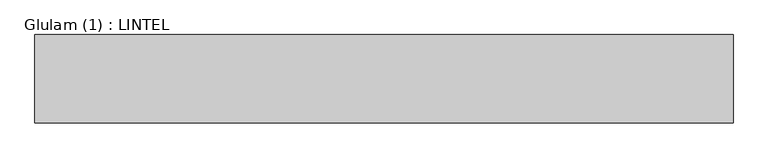
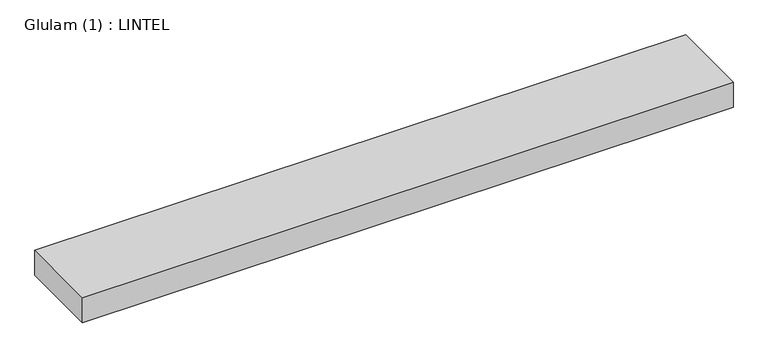
"""IFC4 building model written with IfcOpenShell, lengths in millimetres: beam geometry, Glulam (1) : LINTEL."""

from ifc_helpers import new_model, si_unit, frame, origin, place, context, project, spatial, polyline, outline, extrude, source, transform, mapped, element, save


def glulam_1_lintel_52fcbaa8(model_context):
    return source(origin(), model_context, "Body", "SweptSolid", [
        extrude(outline(polyline([(561.5, 70.0), (561.5, -70.0), (-544.5, -70.0), (-544.5, 70.0), (561.5, 70.0)])), frame((0.0, 0.0, -22.5), z_axis=(0.0, 0.0, 1.0), x_axis=(1.0, 0.0, 0.0)), (0.0, 0.0, 1.0), 45.0),
    ])


if __name__ == "__main__":
    model = new_model("IFC4")
    model_context = context("Model", 3, world=origin())
    ifc_project = project(units=[si_unit("LENGTHUNIT", "METRE", prefix="MILLI")], contexts=[model_context])
    site = spatial("IfcSite", under=ifc_project)
    building = spatial("IfcBuilding", under=site)
    placement = place(None, origin())
    glulam_1_lintel_shape = glulam_1_lintel_52fcbaa8(model_context)
    element("IfcBeam", 1, ObjectType="Glulam (1) : LINTEL", at=placement, inside=building, context=model_context, shape_type="MappedRepresentation", body=[
        mapped(glulam_1_lintel_shape, transform((0.0, 0.0, 0.0), x_axis=(1.0, 0.0, 0.0), y_axis=(0.0, 1.0, 0.0), z_axis=(0.0, 0.0, 1.0))),
    ])
    save(model, "model.ifc")
